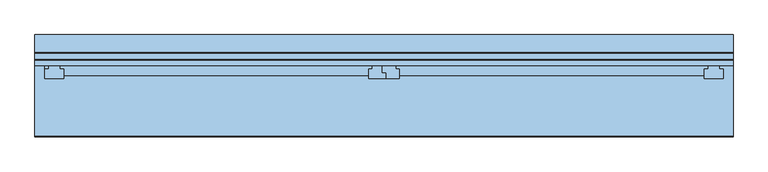
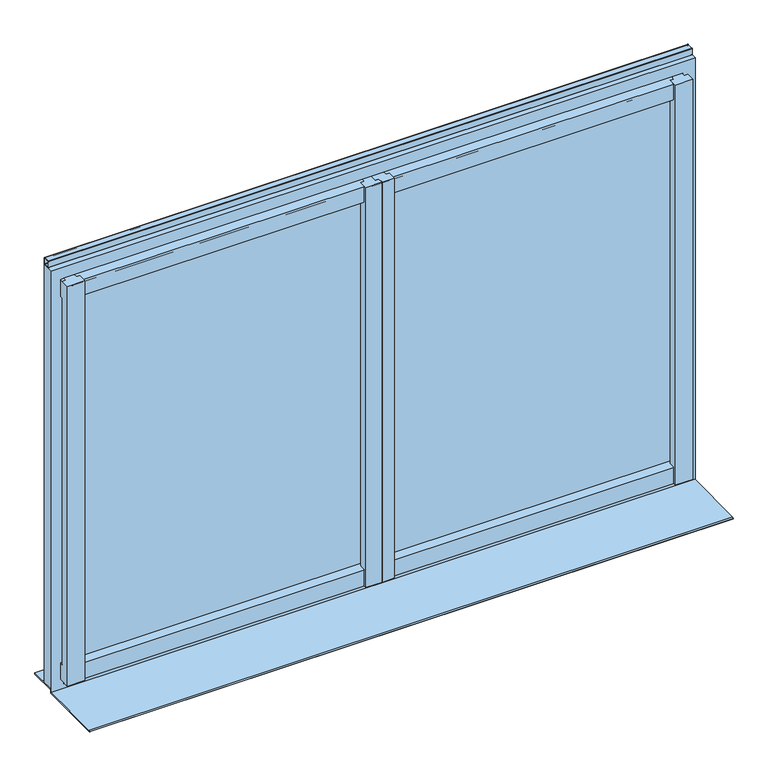
"""IFC4 building model written with IfcOpenShell, lengths in millimetres: window geometry."""

from ifc_helpers import new_model, si_unit, point, frame, frame_2d, origin, place, context, project, spatial, polyline, circle_curve, trimmed, segment, composite_curve, outline, extrude, faceted_brep, source, transform, mapped, element, save


def window_80346cac(model_context):
    return source(origin(), model_context, "Body", "SolidModel", [
        extrude(outline(composite_curve([segment(polyline([(-4968.9639151, 5209.32), (-4950.9639151, 5209.32)]), True, "CONTINUOUS"), segment(trimmed(circle_curve(frame_2d((-4950.9639151, 5208.32)), 1.0), [point((-4950.9639151, 5209.32))], [point((-4949.9639151, 5208.32))], False, "CARTESIAN"), True, "CONTINUOUS"), segment(polyline([(-4949.9639151, 5208.32), (-4949.9639151, 5190.32)]), True, "CONTINUOUS"), segment(trimmed(circle_curve(frame_2d((-4950.9639151, 5190.32)), 1.0), [point((-4949.9639151, 5190.32))], [point((-4950.9639151, 5189.32))], False, "CARTESIAN"), True, "CONTINUOUS"), segment(polyline([(-4950.9639151, 5189.32), (-4968.9639151, 5189.32)]), True, "CONTINUOUS"), segment(trimmed(circle_curve(frame_2d((-4968.9639151, 5190.32)), 1.0), [point((-4968.9639151, 5189.32))], [point((-4969.9639151, 5190.32))], False, "CARTESIAN"), True, "CONTINUOUS"), segment(polyline([(-4969.9639151, 5190.32), (-4969.9639151, 5208.32)]), True, "CONTINUOUS"), segment(trimmed(circle_curve(frame_2d((-4968.9639151, 5208.32)), 1.0), [point((-4969.9639151, 5208.32))], [point((-4968.9639151, 5209.32))], False, "CARTESIAN"), True, "CONTINUOUS")], self_intersect=False), holes=[composite_curve([segment(trimmed(circle_curve(frame_2d((-4966.9639151, 5206.32)), 1.0), [point((-4966.9639151, 5207.32))], [point((-4967.9639151, 5206.32))], True, "CARTESIAN"), True, "CONTINUOUS"), segment(polyline([(-4967.9639151, 5206.32), (-4967.9639151, 5192.32)]), True, "CONTINUOUS"), segment(trimmed(circle_curve(frame_2d((-4966.9639151, 5192.32)), 1.0), [point((-4967.9639151, 5192.32))], [point((-4966.9639151, 5191.32))], True, "CARTESIAN"), True, "CONTINUOUS"), segment(polyline([(-4966.9639151, 5191.32), (-4952.9639151, 5191.32)]), True, "CONTINUOUS"), segment(trimmed(circle_curve(frame_2d((-4952.9639151, 5192.32)), 1.0), [point((-4952.9639151, 5191.32))], [point((-4951.9639151, 5192.32))], True, "CARTESIAN"), True, "CONTINUOUS"), segment(polyline([(-4951.9639151, 5192.32), (-4951.9639151, 5206.32)]), True, "CONTINUOUS"), segment(trimmed(circle_curve(frame_2d((-4952.9639151, 5206.32)), 1.0), [point((-4951.9639151, 5206.32))], [point((-4952.9639151, 5207.32))], True, "CARTESIAN"), True, "CONTINUOUS"), segment(polyline([(-4952.9639151, 5207.32), (-4966.9639151, 5207.32)]), True, "CONTINUOUS")], self_intersect=False)]), frame((5849.1340729, 0.0, 0.0), z_axis=(1.0, 0.0, 0.0), x_axis=(0.0, 1.0, 0.0)), (0.0, 0.0, 1.0), 1840.0),
        faceted_brep([(5875.1340729, -4969.9639151, 5164.32), (5875.1340729, -4980.9639151, 5164.32), (7653.1340729, -4980.9639151, 5164.32), (7653.1340729, -4969.9639151, 5164.32), (5875.1340729, -4980.9639151, 5154.32), (5885.1340729, -4980.9639151, 5154.32), (5915.1340729, -4980.9639151, 5154.32), (6738.6340729, -4980.9639151, 5154.32), (6763.6340729, -4980.9639151, 5154.32), (6764.6340729, -4980.9639151, 5154.32), (6799.6340729, -4980.9639151, 5154.32), (7623.1340729, -4980.9639151, 5154.32), (7653.1340729, -4980.9639151, 5154.32), (5875.1340729, -4993.9639151, 5152.9751724), (5885.1340729, -4993.9639151, 5152.9751724), (5915.1340729, -4993.9381503, 5152.9778377), (5925.1340729, -4993.9381503, 5152.9778377), (5925.1340729, -5009.9639151, 5151.32), (6728.6340729, -5009.9639151, 5151.32), (6728.6340729, -4993.9381503, 5152.9778377), (6738.6340729, -4993.9381503, 5152.9778377), (6763.6340729, -5003.9381503, 5151.943355), (6773.6340729, -5003.9381503, 5151.943355), (6773.6340729, -5009.9639151, 5151.32), (6774.6340729, -5009.9639151, 5151.32), (6774.6340729, -5002.9123855, 5152.0494686), (6764.6340729, -5002.9123855, 5152.0494686), (6799.6340729, -4993.9381503, 5152.9778377), (6809.6340729, -4993.9381503, 5152.9778377), (6809.6340729, -5009.9639151, 5151.32), (7613.1340729, -5009.9639151, 5151.32), (7613.1340729, -4993.9381503, 5152.9778377), (7623.1340729, -4993.9381503, 5152.9778377), (6809.6340729, -5009.9639151, 5104.32), (7613.1340729, -5009.9639151, 5104.32), (6773.6340729, -5009.9639151, 5104.32), (6774.6340729, -5009.9639151, 5104.32), (5925.1340729, -5009.9639151, 5104.32), (6728.6340729, -5009.9639151, 5104.32), (5875.1340729, -4993.9639151, 5104.32), (5875.1340729, -4983.9639151, 5104.32), (5885.1340729, -4983.9639151, 5104.32), (5885.1340729, -4993.9639151, 5104.32), (6809.6340729, -4993.9381503, 5104.32), (6799.6340729, -4993.9381503, 5104.32), (6799.6340729, -4983.9639151, 5104.32), (7623.1340729, -4983.9639151, 5104.32), (7623.1340729, -4993.9381503, 5104.32), (7613.1340729, -4993.9381503, 5104.32), (6773.6340729, -5003.9381503, 5104.32), (6763.6340729, -5003.9381503, 5104.32), (6763.6340729, -4983.9639151, 5104.32), (6764.6340729, -4983.9639151, 5104.32), (6764.6340729, -5002.9123855, 5104.32), (6774.6340729, -5002.9123855, 5104.32), (5925.1340729, -4993.9381503, 5104.32), (5915.1340729, -4993.9381503, 5104.32), (5915.1340729, -4983.9639151, 5104.32), (6738.6340729, -4983.9639151, 5104.32), (6738.6340729, -4993.9381503, 5104.32), (6728.6340729, -4993.9381503, 5104.32), (5875.1340729, -4983.9639151, 5114.32), (5885.1340729, -4983.9639151, 5114.32), (6799.6340729, -4983.9639151, 5114.32), (7623.1340729, -4983.9639151, 5114.32), (6763.6340729, -4983.9639151, 5114.32), (6764.6340729, -4983.9639151, 5114.32), (5915.1340729, -4983.9639151, 5114.32), (6738.6340729, -4983.9639151, 5114.32), (5875.1340729, -4969.9639151, 5114.32), (7653.1340729, -4969.9639151, 5114.32), (7653.1340729, -4978.9639151, 5114.32), (7623.1340729, -4978.9639151, 5114.32), (6799.6340729, -4978.9639151, 5114.32), (6764.6340729, -4978.9639151, 5114.32), (6763.6340729, -4978.9639151, 5114.32), (6738.6340729, -4978.9639151, 5114.32), (5915.1340729, -4978.9639151, 5114.32), (5885.1340729, -4978.9639151, 5114.32), (5875.1340729, -4983.9639151, 3994.7393506), (5875.1340729, -4993.9639151, 3993.9701198), (5885.1340729, -4993.9639151, 3993.9701198), (5885.1340729, -4983.9639151, 3994.7393506), (7623.1340729, -4983.9639151, 3994.7393506), (6799.6340729, -4983.9639151, 3994.7393506), (6799.6340729, -4993.9381503, 3993.9721017), (6809.6340729, -4993.9381503, 3993.9721017), (6809.6340729, -5009.9639151, 3992.7393506), (7613.1340729, -5009.9639151, 3992.7393506), (7613.1340729, -4993.9381503, 3993.9721017), (7623.1340729, -4993.9381503, 3993.9721017), (6764.6340729, -4983.9639151, 3994.7393506), (6763.6340729, -4983.9639151, 3994.7393506), (6763.6340729, -5003.9381503, 3993.2028709), (6773.6340729, -5003.9381503, 3993.2028709), (6773.6340729, -5009.9639151, 3992.7393506), (6774.6340729, -5009.9639151, 3992.7393506), (6774.6340729, -5002.9123855, 3993.2817759), (6764.6340729, -5002.9123855, 3993.2817759), (6738.6340729, -4983.9639151, 3994.7393506), (5915.1340729, -4983.9639151, 3994.7393506), (5915.1340729, -4993.9381503, 3993.9721017), (5925.1340729, -4993.9381503, 3993.9721017), (5925.1340729, -5009.9639151, 3992.7393506), (6728.6340729, -5009.9639151, 3992.7393506), (6728.6340729, -4993.9381503, 3993.9721017), (6738.6340729, -4993.9381503, 3993.9721017), (6809.6340729, -5009.9639151, 3944.7393506), (7613.1340729, -5009.9639151, 3944.7393506), (6773.6340729, -5009.9639151, 3944.7393506), (6774.6340729, -5009.9639151, 3944.7393506), (5925.1340729, -5009.9639151, 3944.7393506), (6728.6340729, -5009.9639151, 3944.7393506), (5875.1340729, -4984.9639151, 3944.7393506), (5875.1340729, -4984.9639151, 3954.7393506), (5885.1340729, -4984.9639151, 3954.7393506), (5885.1340729, -4984.9639151, 3944.7393506), (6738.6340729, -4984.9639151, 3944.7393506), (5915.1340729, -4984.9639151, 3944.7393506), (5915.1340729, -4984.9639151, 3954.7393506), (6738.6340729, -4984.9639151, 3954.7393506), (6764.6340729, -4984.9639151, 3944.7393506), (6763.6340729, -4984.9639151, 3944.7393506), (6763.6340729, -4984.9639151, 3954.7393506), (6764.6340729, -4984.9639151, 3954.7393506), (7623.1340729, -4984.9639151, 3944.7393506), (6799.6340729, -4984.9639151, 3944.7393506), (6799.6340729, -4984.9639151, 3954.7393506), (7623.1340729, -4984.9639151, 3954.7393506), (5875.1340729, -4969.9639151, 3954.7393506), (7653.1340729, -4969.9639151, 3954.7393506), (7653.1340729, -4978.9639151, 3954.7393506), (7623.1340729, -4978.9639151, 3954.7393506), (6799.6340729, -4978.9639151, 3954.7393506), (6764.6340729, -4978.9639151, 3954.7393506), (6763.6340729, -4978.9639151, 3954.7393506), (6738.6340729, -4978.9639151, 3954.7393506), (5915.1340729, -4978.9639151, 3954.7393506), (5885.1340729, -4978.9639151, 3954.7393506), (5875.1340729, -4969.9639151, 3984.7393506), (7653.1340729, -4969.9639151, 3984.7393506), (5875.1340729, -4983.9639151, 3984.7393506), (5885.1340729, -4983.9639151, 3984.7393506), (5885.1340729, -4978.9639151, 3984.7393506), (5915.1340729, -4978.9639151, 3984.7393506), (5915.1340729, -4983.9639151, 3984.7393506), (6738.6340729, -4983.9639151, 3984.7393506), (6738.6340729, -4978.9639151, 3984.7393506), (6763.6340729, -4978.9639151, 3984.7393506), (6763.6340729, -4983.9639151, 3984.7393506), (6764.6340729, -4983.9639151, 3984.7393506), (6764.6340729, -4978.9639151, 3984.7393506), (6799.6340729, -4978.9639151, 3984.7393506), (6799.6340729, -4983.9639151, 3984.7393506), (7623.1340729, -4983.9639151, 3984.7393506), (7623.1340729, -4978.9639151, 3984.7393506), (7653.1340729, -4978.9639151, 3984.7393506), (7663.1340729, -4993.9639151, 5154.32), (7653.1340729, -4993.9639151, 5154.32), (7623.1340729, -4993.9381503, 5154.32), (7613.1340729, -4993.9381503, 5154.32), (7613.1340729, -5018.9639151, 5154.32), (7663.1340729, -5018.9639151, 5154.32), (6764.6340729, -5002.9123855, 5154.32), (6774.6340729, -5002.9123855, 5154.32), (6774.6340729, -5018.9639151, 5154.32), (6809.6340729, -5018.9639151, 5154.32), (6809.6340729, -4993.9381503, 5154.32), (6799.6340729, -4993.9381503, 5154.32), (6773.6340729, -5018.9639151, 5154.32), (6773.6340729, -5003.9381503, 5154.32), (6763.6340729, -5003.9381503, 5154.32), (6738.6340729, -4993.9381503, 5154.32), (6728.6340729, -4993.9381503, 5154.32), (6728.6340729, -5018.9639151, 5154.32), (5875.1340729, -4993.9639151, 5154.32), (5875.1340729, -5018.9639151, 5154.32), (5925.1340729, -5018.9639151, 5154.32), (5925.1340729, -4993.9381503, 5154.32), (5915.1340729, -4993.9381503, 5154.32), (5885.1340729, -4993.9639151, 5154.32), (7663.1340729, -4993.9639151, 3944.7393506), (7663.1340729, -5018.9639151, 3944.7393506), (7613.1340729, -5018.9639151, 3944.7393506), (6809.6340729, -5018.9639151, 3944.7393506), (6774.6340729, -5018.9639151, 3944.7393506), (6773.6340729, -5018.9639151, 3944.7393506), (6728.6340729, -5018.9639151, 3944.7393506), (5925.1340729, -5018.9639151, 3944.7393506), (5875.1340729, -5018.9639151, 3944.7393506), (5885.1340729, -4978.9639151, 3944.7393506), (5915.1340729, -4978.9639151, 3944.7393506), (6738.6340729, -4978.9639151, 3944.7393506), (6763.6340729, -4978.9639151, 3944.7393506), (6764.6340729, -4978.9639151, 3944.7393506), (6799.6340729, -4978.9639151, 3944.7393506), (7623.1340729, -4978.9639151, 3944.7393506), (7653.1340729, -4978.9639151, 3944.7393506), (7653.1340729, -4993.9639151, 3944.7393506)], [[[0, 1, 2, 3]], [[1, 4, 5, 6, 7, 8, 9, 10, 11, 12, 2]], [[5, 4, 13, 14]], [[7, 6, 15, 16, 17, 18, 19, 20]], [[9, 8, 21, 22, 23, 24, 25, 26]], [[11, 10, 27, 28, 29, 30, 31, 32]], [[30, 29, 33, 34]], [[24, 23, 35, 36]], [[18, 17, 37, 38]], [[39, 40, 41, 42]], [[34, 33, 43, 44, 45, 46, 47, 48]], [[36, 35, 49, 50, 51, 52, 53, 54]], [[38, 37, 55, 56, 57, 58, 59, 60]], [[40, 61, 62, 41]], [[46, 45, 63, 64]], [[52, 51, 65, 66]], [[58, 57, 67, 68]], [[61, 69, 70, 71, 72, 64, 63, 73, 74, 66, 65, 75, 76, 68, 67, 77, 78, 62]], [[69, 0, 3, 70]], [[79, 80, 81, 82]], [[83, 84, 85, 86, 87, 88, 89, 90]], [[91, 92, 93, 94, 95, 96, 97, 98]], [[99, 100, 101, 102, 103, 104, 105, 106]], [[107, 108, 88, 87]], [[109, 110, 96, 95]], [[111, 112, 104, 103]], [[113, 114, 115, 116]], [[117, 118, 119, 120]], [[121, 122, 123, 124]], [[125, 126, 127, 128]], [[114, 129, 130, 131, 132, 128, 127, 133, 134, 124, 123, 135, 136, 120, 119, 137, 138, 115]], [[129, 139, 140, 130]], [[139, 141, 142, 143, 144, 145, 146, 147, 148, 149, 150, 151, 152, 153, 154, 155, 156, 140]], [[141, 79, 82, 142]], [[84, 83, 154, 153]], [[92, 91, 150, 149]], [[100, 99, 146, 145]], [[157, 158, 12, 11, 159, 160, 161, 162]], [[163, 164, 165, 166, 167, 168, 10, 9]], [[169, 170, 171, 8, 7, 172, 173, 174]], [[175, 176, 177, 178, 179, 6, 5, 180]], [[181, 182, 183, 108, 107, 184, 185, 110, 109, 186, 187, 112, 111, 188, 189, 113, 116, 190, 191, 118, 117, 192, 193, 122, 121, 194, 195, 126, 125, 196, 197, 198]], [[198, 158, 157, 181]], [[12, 158, 198, 197, 131, 130, 140, 156, 71, 70, 3, 2]], [[197, 196, 132, 131]], [[71, 156, 155, 72]], [[159, 11, 32]], [[196, 125, 128, 132]], [[72, 155, 154, 83, 90, 47, 46, 64]], [[160, 159, 32, 31]], [[47, 90, 89, 48]], [[161, 160, 31, 30, 34, 48, 89, 88, 108, 183]], [[162, 161, 183, 182]], [[157, 162, 182, 181]], [[195, 194, 134, 133]], [[73, 152, 151, 74]], [[163, 9, 26]], [[194, 121, 124, 134]], [[74, 151, 150, 91, 98, 53, 52, 66]], [[164, 163, 26, 25]], [[53, 98, 97, 54]], [[165, 164, 25, 24, 36, 54, 97, 96, 110, 185]], [[166, 165, 185, 184]], [[167, 166, 184, 107, 87, 86, 43, 33, 29, 28]], [[168, 167, 28, 27]], [[43, 86, 85, 44]], [[10, 168, 27]], [[126, 195, 133, 127]], [[152, 73, 63, 45, 44, 85, 84, 153]], [[170, 169, 186, 109, 95, 94, 49, 35, 23, 22]], [[171, 170, 22, 21]], [[49, 94, 93, 50]], [[8, 171, 21]], [[122, 193, 135, 123]], [[50, 93, 92, 149, 148, 75, 65, 51]], [[193, 192, 136, 135]], [[75, 148, 147, 76]], [[172, 7, 20]], [[192, 117, 120, 136]], [[76, 147, 146, 99, 106, 59, 58, 68]], [[173, 172, 20, 19]], [[59, 106, 105, 60]], [[174, 173, 19, 18, 38, 60, 105, 104, 112, 187]], [[169, 174, 187, 186]], [[176, 175, 13, 4, 1, 0, 69, 61, 40, 39, 80, 79, 141, 139, 129, 114, 113, 189]], [[177, 176, 189, 188]], [[178, 177, 188, 111, 103, 102, 55, 37, 17, 16]], [[179, 178, 16, 15]], [[55, 102, 101, 56]], [[6, 179, 15]], [[118, 191, 137, 119]], [[56, 101, 100, 145, 144, 77, 67, 57]], [[191, 190, 138, 137]], [[77, 144, 143, 78]], [[180, 5, 14]], [[190, 116, 115, 138]], [[78, 143, 142, 82, 81, 42, 41, 62]], [[175, 180, 14, 13]], [[80, 39, 42, 81]]]),
        faceted_brep([(7654.1340729, -4984.4639151, 5154.82), (5884.1340729, -4984.4639151, 5154.82), (5884.1340729, -4981.9639151, 5154.82), (5852.1340729, -4981.9639151, 5154.82), (5852.1340729, -4981.4639151, 5154.82), (7686.1340729, -4981.4639151, 5154.82), (7686.1340729, -4981.9639151, 5154.82), (7654.1340729, -4981.9639151, 5154.82), (5852.1340729, -4981.4639151, 5186.32), (7686.1340729, -4981.4639151, 5186.32), (5852.1340729, -4949.9639151, 5186.32), (7686.1340729, -4949.9639151, 5186.32), (7689.1340729, -4949.9639151, 5189.32), (5849.1340729, -4949.9639151, 5189.32), (5849.1340729, -4984.4639151, 5189.32), (7689.1340729, -4984.4639151, 5189.32), (5884.1340729, -4984.4639151, 3927.7393506), (5884.1340729, -4981.9639151, 3927.7393506), (5852.1340729, -4981.9639151, 3927.7393506), (5852.1340729, -4974.9639151, 3954.2393506), (5852.1340729, -4952.9639151, 3954.2393506), (5852.1340729, -4952.9639151, 3959.2393506), (5852.1340729, -4949.9639151, 3959.2393506), (5852.1340729, -4952.9639151, 3927.7393506), (5852.1340729, -4952.9639151, 3951.2393506), (5852.1340729, -4974.9639151, 3951.2393506), (7686.1340729, -4952.9639151, 3954.2393506), (7686.1340729, -4974.9639151, 3954.2393506), (7686.1340729, -4974.9639151, 3951.2393506), (7686.1340729, -4952.9639151, 3951.2393506), (7686.1340729, -4952.9639151, 3927.7393506), (7686.1340729, -4981.9639151, 3927.7393506), (7686.1340729, -4949.9639151, 3959.2393506), (7686.1340729, -4952.9639151, 3959.2393506), (7654.1340729, -4981.9639151, 3927.7393506), (7654.1340729, -4984.4639151, 3927.7393506), (5849.1340729, -4949.9639151, 3924.5631649), (5849.1340729, -4981.4639151, 3924.5631649), (5849.1340729, -4981.4639151, 3915.2207232), (5849.1340729, -4984.4639151, 3915.1907232), (7689.1340729, -4984.4639151, 3915.1907232), (7689.1340729, -4981.4639151, 3915.2207232), (7689.1340729, -4981.4639151, 3924.5631649), (7689.1340729, -4949.9639151, 3924.5631649)], [[[0, 1, 2, 3, 4, 5, 6, 7]], [[5, 4, 8, 9]], [[10, 11, 9, 8]], [[12, 13, 14, 15]], [[16, 17, 2, 1]], [[17, 18, 3, 2]], [[19, 20, 21, 22, 10, 8, 4, 3, 18, 23, 24, 25]], [[26, 27, 28, 29, 30, 31, 6, 5, 9, 11, 32, 33]], [[31, 34, 7, 6]], [[34, 35, 0, 7]], [[13, 36, 37, 38, 39, 14]], [[15, 40, 41, 42, 43, 12]], [[26, 20, 19, 27]], [[27, 19, 25, 28]], [[28, 25, 24, 29]], [[29, 24, 23, 30]], [[30, 23, 18, 17, 16, 35, 34, 31]], [[39, 40, 15, 14], [16, 1, 0, 35]], [[39, 38, 41, 40]], [[38, 37, 42, 41]], [[37, 36, 43, 42]], [[43, 36, 13, 12], [32, 11, 10, 22]], [[32, 22, 21, 33]], [[20, 26, 33, 21]]]),
        extrude(outline(composite_curve([segment(polyline([(-4979.9639151, 3984.7393506), (-4979.9639151, 3994.7393506), (-4971.9629757, 3994.7393506)]), True, "CONTINUOUS"), segment(trimmed(circle_curve(frame_2d((-4971.9629757, 3992.7393506)), 2.0), [point((-4971.9629757, 3994.7393506))], [point((-4969.9639151, 3992.6780575))], False, "CARTESIAN"), True, "CONTINUOUS"), segment(polyline([(-4969.9639151, 3992.6780575), (-4969.9639151, 3986.6780575)]), True, "CONTINUOUS"), segment(trimmed(circle_curve(frame_2d((-4971.9629757, 3986.7393506)), 2.0), [point((-4969.9639151, 3986.6780575))], [point((-4971.9629757, 3984.7393506))], False, "CARTESIAN"), True, "CONTINUOUS"), segment(polyline([(-4971.9629757, 3984.7393506), (-4979.9639151, 3984.7393506)]), True, "CONTINUOUS")], self_intersect=False)), frame((5915.1340729, 0.0, 0.0), z_axis=(1.0, 0.0, 0.0), x_axis=(0.0, 1.0, 0.0)), (0.0, 0.0, 1.0), 1708.0),
        extrude(outline(composite_curve([segment(polyline([(-4979.9639151, 5114.32), (-4971.9629757, 5114.32)]), True, "CONTINUOUS"), segment(trimmed(circle_curve(frame_2d((-4971.9629757, 5112.32)), 2.0), [point((-4971.9629757, 5114.32))], [point((-4969.9639151, 5112.3812931))], False, "CARTESIAN"), True, "CONTINUOUS"), segment(polyline([(-4969.9639151, 5112.3812931), (-4969.9639151, 5106.3812931)]), True, "CONTINUOUS"), segment(trimmed(circle_curve(frame_2d((-4971.9629757, 5106.32)), 2.0), [point((-4969.9639151, 5106.3812931))], [point((-4971.9629757, 5104.32))], False, "CARTESIAN"), True, "CONTINUOUS"), segment(polyline([(-4971.9629757, 5104.32), (-4979.9639151, 5104.32), (-4979.9639151, 5114.32)]), True, "CONTINUOUS")], self_intersect=False)), frame((5915.1340729, 0.0, 0.0), z_axis=(1.0, 0.0, 0.0), x_axis=(0.0, 1.0, 0.0)), (0.0, 0.0, 1.0), 1708.0),
        extrude(outline(polyline([(7689.1340729, -4902.9639151), (7689.1340729, -4980.9639151), (5849.1340729, -4980.9639151), (5849.1340729, -4902.9639151), (7689.1340729, -4902.9639151)])), frame((0.0, 0.0, 3919.5659965), z_axis=(0.0, 0.0, 1.0), x_axis=(1.0, 0.0, 0.0)), (0.0, 0.0, 1.0), 4.9971684),
        extrude(outline(composite_curve([segment(polyline([(-4981.4639151, 3914.99215), (-4981.4639151, 3909.32), (-5172.9639151, 3909.32), (-5172.9639151, 3910.107)]), True, "CONTINUOUS"), segment(trimmed(circle_curve(frame_2d((-5169.9639151, 3910.107)), 3.0), [point((-5172.9639151, 3910.107))], [point((-5169.9939136, 3913.10685))], False, "CARTESIAN"), True, "CONTINUOUS"), segment(polyline([(-5169.9939136, 3913.10685), (-4981.4639151, 3914.99215)]), True, "CONTINUOUS")], self_intersect=False)), frame((5849.1340729, 0.0, 0.0), z_axis=(1.0, 0.0, 0.0), x_axis=(0.0, 1.0, 0.0)), (0.0, 0.0, 1.0), 1840.0),
        extrude(outline(polyline([(7653.1340729, -4979.9639151), (7653.1340729, -4983.9639151), (5885.1340729, -4983.9639151), (5885.1340729, -4979.9639151), (7653.1340729, -4979.9639151)])), frame((0.0, 0.0, 3986.7393506), z_axis=(0.0, 0.0, 1.0), x_axis=(1.0, 0.0, 0.0)), (0.0, 0.0, 1.0), 1125.5806494),
    ])


if __name__ == "__main__":
    model = new_model("IFC4")
    model_context = context("Model", 3, world=origin())
    ifc_project = project(units=[si_unit("LENGTHUNIT", "METRE", prefix="MILLI")], contexts=[model_context])
    site = spatial("IfcSite", under=ifc_project)
    building = spatial("IfcBuilding", under=site)
    placement = place(None, origin())
    window_shape = window_80346cac(model_context)
    element("IfcWindow", 1, at=placement, inside=building, context=model_context, shape_type="MappedRepresentation", body=[
        mapped(window_shape, transform((0.0, 0.0, 0.0), x_axis=(1.0, 0.0, 0.0), y_axis=(0.0, 1.0, 0.0), z_axis=(0.0, 0.0, 1.0))),
    ])
    save(model, "model.ifc")
